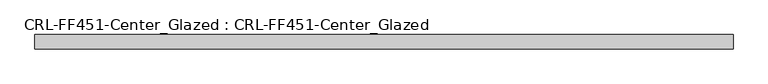
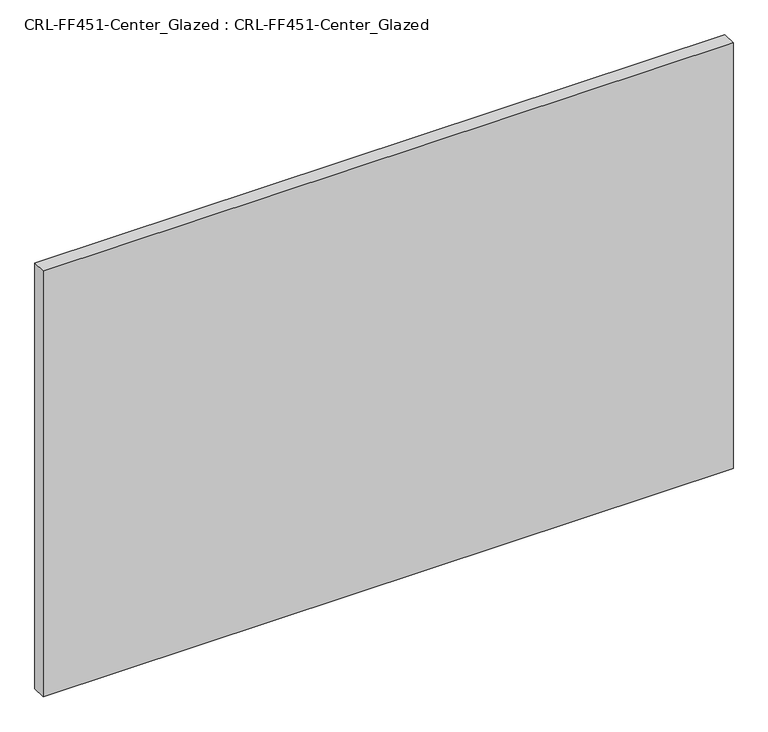
"""IFC4 building model written with IfcOpenShell, lengths in millimetres: plate geometry, CRL-FF451-Center_Glazed : CRL-FF451-Center_Glazed."""

from ifc_helpers import new_model, si_unit, origin, origin_with_axes, place, context, project, spatial, polyline, outline, extrude, source, transform, mapped, element, save


def crl_ff451_center_glazed_crl_ff451_center_glazed_0cb0444b(model_context):
    return source(origin(), model_context, "Body", "SweptSolid", [
        extrude(outline(polyline([(-624.9182788, -12.709956), (-624.9182788, 12.709956), (624.9182788, 12.709956), (624.9182788, -12.709956), (-624.9182788, -12.709956)])), origin_with_axes(), (0.0, 0.0, 1.0), 815.1595339),
    ])


if __name__ == "__main__":
    model = new_model("IFC4")
    model_context = context("Model", 3, world=origin())
    ifc_project = project(units=[si_unit("LENGTHUNIT", "METRE", prefix="MILLI")], contexts=[model_context])
    site = spatial("IfcSite", under=ifc_project)
    building = spatial("IfcBuilding", under=site)
    placement = place(None, origin())
    crl_ff451_center_glazed_crl_ff451_center_glazed_shape = crl_ff451_center_glazed_crl_ff451_center_glazed_0cb0444b(model_context)
    element("IfcPlate", 1, ObjectType="CRL-FF451-Center_Glazed : CRL-FF451-Center_Glazed", at=placement, inside=building, context=model_context, shape_type="MappedRepresentation", body=[
        mapped(crl_ff451_center_glazed_crl_ff451_center_glazed_shape, transform((0.0, 0.0, 0.0), x_axis=(1.0, 0.0, 0.0), y_axis=(0.0, 1.0, 0.0), z_axis=(0.0, 0.0, 1.0))),
    ])
    save(model, "model.ifc")
